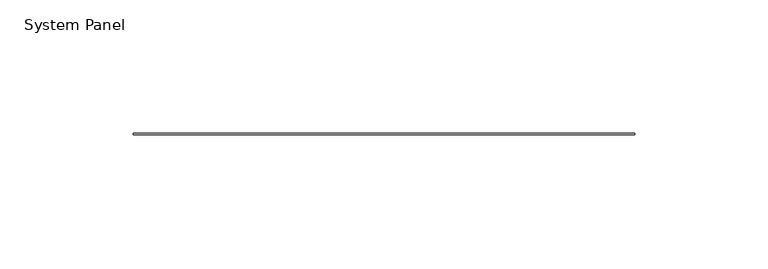
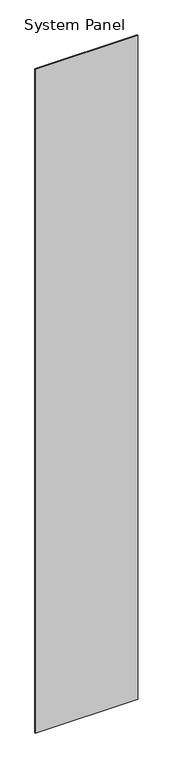
"""IFC4 building model written with IfcOpenShell, lengths in millimetres: plate geometry, System Panel."""

from ifc_helpers import new_model, si_unit, origin, origin_with_axes, place, context, project, spatial, polyline, outline, extrude, source, transform, mapped, element, save


def system_panel_d5fe7a07(model_context):
    return source(origin(), model_context, "Body", "SweptSolid", [
        extrude(outline(polyline([(93.9165, -0.2480469), (-93.9165, -0.2480469), (-93.9165, 0.2480469), (93.9165, 0.2480469), (93.9165, -0.2480469)])), origin_with_axes(), (0.0, 0.0, 1.0), 1285.875),
    ])


if __name__ == "__main__":
    model = new_model("IFC4")
    model_context = context("Model", 3, world=origin())
    ifc_project = project(units=[si_unit("LENGTHUNIT", "METRE", prefix="MILLI")], contexts=[model_context])
    site = spatial("IfcSite", under=ifc_project)
    building = spatial("IfcBuilding", under=site)
    placement = place(None, origin())
    system_panel_shape = system_panel_d5fe7a07(model_context)
    element("IfcPlate", 1, ObjectType="System Panel", at=placement, inside=building, context=model_context, shape_type="MappedRepresentation", body=[
        mapped(system_panel_shape, transform((0.0, 0.0, 0.0), x_axis=(1.0, 0.0, 0.0), y_axis=(0.0, 1.0, 0.0), z_axis=(0.0, 0.0, 1.0))),
    ])
    save(model, "model.ifc")
